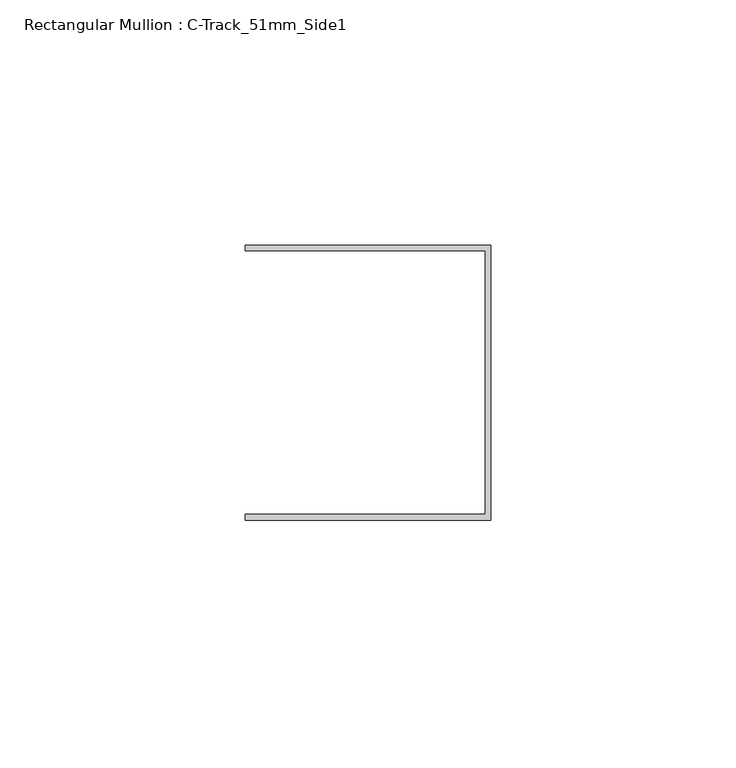
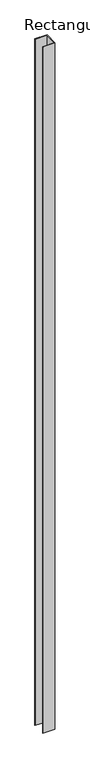
"""IFC4 building model written with IfcOpenShell, lengths in millimetres: member geometry, Rectangular Mullion : C-Track_51mm_Side1."""

from ifc_helpers import new_model, si_unit, frame, origin, place, context, project, spatial, polyline, outline, extrude, source, transform, mapped, element, save


def rectangular_mullion_c_track_51mm_side1_9c28318b(model_context):
    return source(origin(), model_context, "Body", "SweptSolid", [
        extrude(outline(polyline([(-1.15, 26.85), (-50.0, 26.85), (-50.0, 28.0), (0.0, 28.0), (0.0, -28.0), (-50.0, -28.0), (-50.0, -26.85), (-1.15, -26.85), (-1.15, 26.85)])), frame((0.0, 0.0, -3000.0), z_axis=(0.0, 0.0, 1.0), x_axis=(1.0, 0.0, 0.0)), (0.0, 0.0, 1.0), 3000.0),
    ])


if __name__ == "__main__":
    model = new_model("IFC4")
    model_context = context("Model", 3, world=origin())
    ifc_project = project(units=[si_unit("LENGTHUNIT", "METRE", prefix="MILLI")], contexts=[model_context])
    site = spatial("IfcSite", under=ifc_project)
    building = spatial("IfcBuilding", under=site)
    placement = place(None, origin())
    rectangular_mullion_c_track_51mm_side1_shape = rectangular_mullion_c_track_51mm_side1_9c28318b(model_context)
    element("IfcMember", 1, ObjectType="Rectangular Mullion : C-Track_51mm_Side1", at=placement, inside=building, context=model_context, shape_type="MappedRepresentation", body=[
        mapped(rectangular_mullion_c_track_51mm_side1_shape, transform((0.0, 0.0, 0.0), x_axis=(1.0, 0.0, 0.0), y_axis=(0.0, 1.0, 0.0), z_axis=(0.0, 0.0, 1.0))),
    ])
    save(model, "model.ifc")
